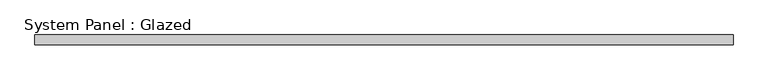
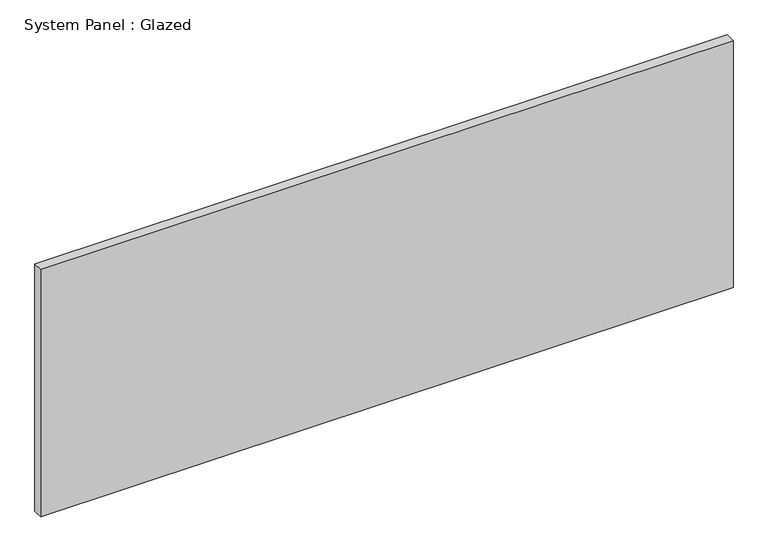
"""IFC4 building model written with IfcOpenShell, lengths in millimetres: plate geometry, System Panel : Glazed."""

from ifc_helpers import new_model, si_unit, origin, origin_with_axes, place, context, project, spatial, polyline, outline, extrude, source, transform, mapped, element, save


def system_panel_glazed_a6232784(model_context):
    return source(origin(), model_context, "Body", "SweptSolid", [
        extrude(outline(polyline([(882.65, 19.05), (-882.65, 19.05), (-882.65, 44.45), (882.65, 44.45), (882.65, 19.05)])), origin_with_axes(), (0.0, 0.0, 1.0), 666.75),
    ])


if __name__ == "__main__":
    model = new_model("IFC4")
    model_context = context("Model", 3, world=origin())
    ifc_project = project(units=[si_unit("LENGTHUNIT", "METRE", prefix="MILLI")], contexts=[model_context])
    site = spatial("IfcSite", under=ifc_project)
    building = spatial("IfcBuilding", under=site)
    placement = place(None, origin())
    system_panel_glazed_shape = system_panel_glazed_a6232784(model_context)
    element("IfcPlate", 1, ObjectType="System Panel : Glazed", at=placement, inside=building, context=model_context, shape_type="MappedRepresentation", body=[
        mapped(system_panel_glazed_shape, transform((0.0, 0.0, 0.0), x_axis=(1.0, 0.0, 0.0), y_axis=(0.0, 1.0, 0.0), z_axis=(0.0, 0.0, 1.0))),
    ])
    save(model, "model.ifc")
